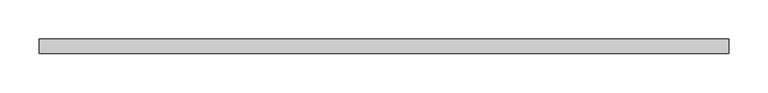
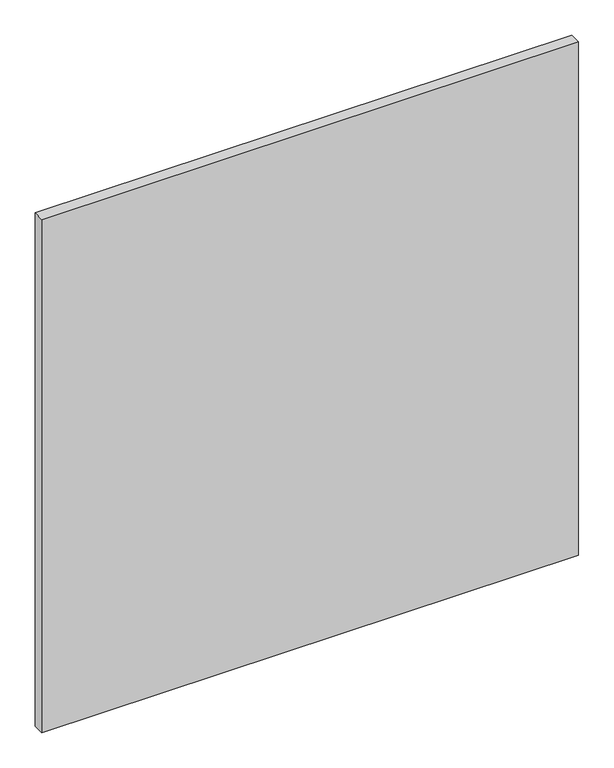
"""IFC4 building model written with IfcOpenShell, lengths in millimetres: proxy geometry."""

from ifc_helpers import new_model, si_unit, frame, origin, place, context, project, spatial, polyline, outline, extrude, source, transform, mapped, element, save


def specialty_equipment_b6d1b617(model_context):
    return source(origin(), model_context, "Body", "SweptSolid", [
        extrude(outline(polyline([(441.5309122, 0.0), (441.5309122, -19.05), (-441.5309122, -19.05), (-441.5309122, 0.0), (441.5309122, 0.0)])), frame((0.0, 0.0, 3.175), z_axis=(0.0, 0.0, 1.0), x_axis=(1.0, 0.0, 0.0)), (0.0, 0.0, 1.0), 892.175),
    ])


if __name__ == "__main__":
    model = new_model("IFC4")
    model_context = context("Model", 3, world=origin())
    ifc_project = project(units=[si_unit("LENGTHUNIT", "METRE", prefix="MILLI")], contexts=[model_context])
    site = spatial("IfcSite", under=ifc_project)
    building = spatial("IfcBuilding", under=site)
    placement = place(None, origin())
    specialty_equipment_shape = specialty_equipment_b6d1b617(model_context)
    element("IfcBuildingElementProxy", 1, Name="Specialty Equipment", at=placement, inside=building, context=model_context, shape_type="MappedRepresentation", body=[
        mapped(specialty_equipment_shape, transform((0.0, 0.0, 0.0), x_axis=(1.0, 0.0, 0.0), y_axis=(0.0, 1.0, 0.0), z_axis=(0.0, 0.0, 1.0))),
    ])
    save(model, "model.ifc")
